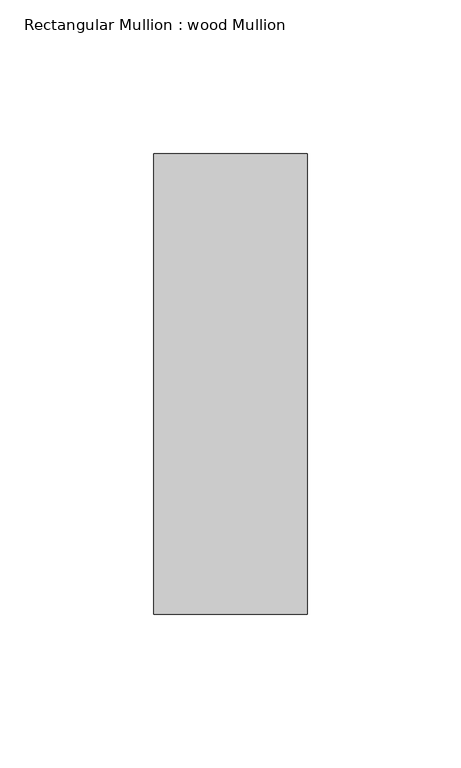
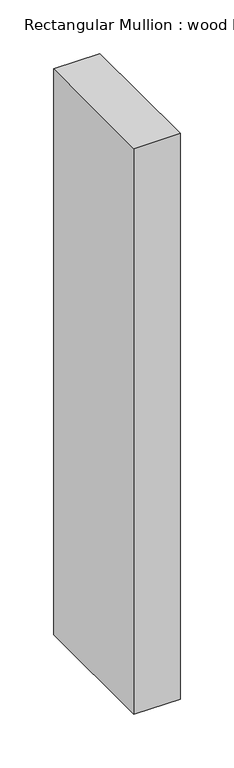
"""IFC4 building model written with IfcOpenShell, lengths in millimetres: member geometry, Rectangular Mullion : wood Mullion."""

from ifc_helpers import new_model, si_unit, frame, origin, place, context, project, spatial, polyline, outline, extrude, source, transform, mapped, element, save


def rectangular_mullion_wood_mullion_c4e542cc(model_context):
    return source(origin(), model_context, "Body", "SweptSolid", [
        extrude(outline(polyline([(0.0, 75.0), (0.0, -75.0), (-50.0, -75.0), (-50.0, 75.0), (0.0, 75.0)])), frame((0.0, 0.0, -645.0), z_axis=(0.0, 0.0, 1.0), x_axis=(1.0, 0.0, 0.0)), (0.0, 0.0, 1.0), 645.0),
    ])


if __name__ == "__main__":
    model = new_model("IFC4")
    model_context = context("Model", 3, world=origin())
    ifc_project = project(units=[si_unit("LENGTHUNIT", "METRE", prefix="MILLI")], contexts=[model_context])
    site = spatial("IfcSite", under=ifc_project)
    building = spatial("IfcBuilding", under=site)
    placement = place(None, origin())
    rectangular_mullion_wood_mullion_shape = rectangular_mullion_wood_mullion_c4e542cc(model_context)
    element("IfcMember", 1, ObjectType="Rectangular Mullion : wood Mullion", at=placement, inside=building, context=model_context, shape_type="MappedRepresentation", body=[
        mapped(rectangular_mullion_wood_mullion_shape, transform((0.0, 0.0, 0.0), x_axis=(1.0, 0.0, 0.0), y_axis=(0.0, 1.0, 0.0), z_axis=(0.0, 0.0, 1.0))),
    ])
    save(model, "model.ifc")
